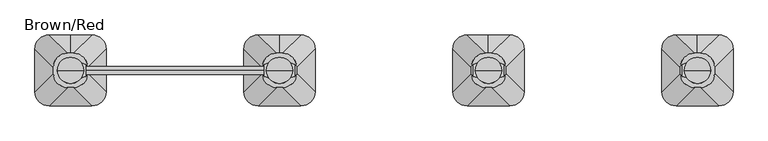
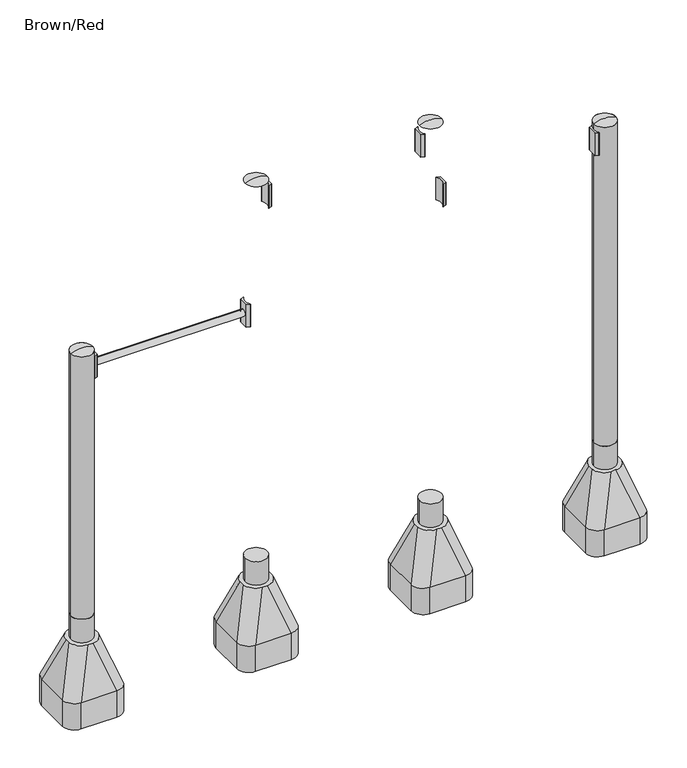
"""IFC4 building model written with IfcOpenShell, lengths in millimetres: furniture geometry, Brown/Red."""

from ifc_helpers import new_model, si_unit, point, frame, frame_2d, origin, place, context, project, spatial, polyline, circle_curve, ellipse_curve, trimmed, segment, composite_curve, outline, extrude, source, transform, mapped, element, save
from ifc_brep_helpers import plane_surface, cylinder_surface, revolved_surface, extruded_surface, advanced_brep


def brown_red_2a3a5a91(model_context):
    return source(origin(), model_context, "Body", "SolidModel", [
        extrude(outline(composite_curve([segment(trimmed(circle_curve(frame_2d((-594.0488884, 174.6300052)), 1.0), [point((-593.2087173, 175.1723266))], [point((-594.3909086, 173.6903126))], False, "CARTESIAN"), True, "CONTINUOUS"), segment(polyline([(-594.3909086, 173.6903126), (-611.0686575, 179.7605168)]), True, "CONTINUOUS"), segment(trimmed(circle_curve(frame_2d((-610.7266373, 180.7002094)), 1.0), [point((-611.0686575, 179.7605168))], [point((-611.7266373, 180.7002094))], False, "CARTESIAN"), True, "CONTINUOUS"), segment(polyline([(-611.7266373, 180.7002094), (-611.7266373, 229.2997943)]), True, "CONTINUOUS"), segment(trimmed(circle_curve(frame_2d((-610.7266373, 229.2997943)), 1.0), [point((-611.7266373, 229.2997943))], [point((-611.0686575, 230.2394869))], False, "CARTESIAN"), True, "CONTINUOUS"), segment(polyline([(-611.0686575, 230.2394869), (-594.3909086, 236.3096911)]), True, "CONTINUOUS"), segment(trimmed(circle_curve(frame_2d((-594.0488884, 235.3699985)), 1.0), [point((-594.3909086, 236.3096911))], [point((-593.2087173, 234.8276771))], False, "CARTESIAN"), True, "CONTINUOUS"), segment(trimmed(circle_curve(frame_2d((-546.999305, 205.0000019)), 55.0), [point((-593.2087173, 234.8276771))], [point((-593.2087173, 175.1723266))], True, "CARTESIAN"), True, "CONTINUOUS")], self_intersect=False)), frame((0.0, 0.0, 1149.6562438), z_axis=(0.0, 0.0, 1.0), x_axis=(1.0, 0.0, 0.0)), (0.0, 0.0, 1.0), 120.0),
        extrude(outline(composite_curve([segment(trimmed(circle_curve(frame_2d((-1379.8767602, 235.3699948)), 1.0), [point((-1380.7169313, 234.8276734))], [point((-1379.5347401, 236.3096874))], False, "CARTESIAN"), True, "CONTINUOUS"), segment(polyline([(-1379.5347401, 236.3096874), (-1362.8569912, 230.2394832)]), True, "CONTINUOUS"), segment(trimmed(circle_curve(frame_2d((-1363.1990113, 229.2997906)), 1.0), [point((-1362.8569912, 230.2394832))], [point((-1362.1990113, 229.2997906))], False, "CARTESIAN"), True, "CONTINUOUS"), segment(polyline([(-1362.1990113, 229.2997906), (-1362.1990113, 180.7002057)]), True, "CONTINUOUS"), segment(trimmed(circle_curve(frame_2d((-1363.1990113, 180.7002057)), 1.0), [point((-1362.1990113, 180.7002057))], [point((-1362.8569912, 179.7605131))], False, "CARTESIAN"), True, "CONTINUOUS"), segment(polyline([(-1362.8569912, 179.7605131), (-1379.5347401, 173.6903089)]), True, "CONTINUOUS"), segment(trimmed(circle_curve(frame_2d((-1379.8767602, 174.6300015)), 1.0), [point((-1379.5347401, 173.6903089))], [point((-1380.7169313, 175.1723229))], False, "CARTESIAN"), True, "CONTINUOUS"), segment(trimmed(circle_curve(frame_2d((-1426.9263437, 204.9999981)), 55.0), [point((-1380.7169313, 175.1723229))], [point((-1380.7169313, 234.8276734))], True, "CARTESIAN"), True, "CONTINUOUS")], self_intersect=False)), frame((0.0, 0.0, 1149.6562438), z_axis=(0.0, 0.0, 1.0), x_axis=(1.0, 0.0, 0.0)), (0.0, 0.0, 1.0), 120.0),
        advanced_brep(
        [(-1372.0, 205.0, 1300.0), (-1482.0, 205.0, 1300.0), (-1427.0, 205.0, 1312.0246565), (-1427.0, 205.0, 1300.0)],
        [
            (0, 1, circle_curve(frame((-1427.0, 205.0, 1300.0), z_axis=(0.0, 0.0, 1.0), x_axis=(-1.0, 0.0, 0.0)), 55.0)),
            (1, 2, circle_curve(frame((-1431.5450144, 205.0, 1201.0177111), z_axis=(0.0, 1.0, 0.0), x_axis=(-1.0, 0.0, 0.0)), 111.0999509)),
            (2, 0, circle_curve(frame((-1422.4549856, 205.0, 1201.0177111), z_axis=(0.0, 1.0, 0.0), x_axis=(1.0, 0.0, 0.0)), 111.0999509)),
            (1, 0, circle_curve(frame((-1427.0, 205.0, 1300.0), z_axis=(0.0, 0.0, 1.0), x_axis=(-1.0, 0.0, 0.0)), 55.0)),
            (3, 1),
            (0, 3),
        ],
        [
            revolved_surface(trimmed(ellipse_curve(frame((-1431.5450144, 205.0, 1201.0177111), z_axis=(0.0, -1.0, 0.0), x_axis=(-1.0, 0.0, 0.0)), 111.0999509, 111.0999509), [point((-1427.0, 205.0, 1312.0246565))], [point((-1482.0, 205.0, 1300.0))], True, "CARTESIAN"), (-1427.0, 205.0, 919.0), (0.0, 0.0, -1.0)),
            plane_surface(frame((-1427.0, 205.0, 1300.0), z_axis=(0.0, 0.0, -1.0), x_axis=(-1.0, 0.0, 0.0))),
        ],
        [
            (0, [[1, 2, 3]]),
            (0, [[4, -3, -2]]),
            (1, [[5, -1, 6]]),
            (1, [[-6, -4, -5]]),
        ],
    ),
        advanced_brep(
        [(-1414.5, 277.4599432, -224.0), (-1427.0, 277.4599432, -224.0), (-1439.5, 277.4599432, -224.0), (-1499.5, 217.4599432, -224.0), (-1499.5, 192.4599432, -224.0), (-1439.5, 132.4599432, -224.0), (-1414.5, 132.4599432, -224.0), (-1354.5, 192.4599432, -224.0), (-1354.5, 217.4599432, -224.0), (-1337.0, 355.0, -459.0), (-1427.0, 355.0, -459.0), (-1517.0, 355.0, -459.0), (-1577.0, 295.0, -459.0), (-1577.0, 115.0, -459.0), (-1517.0, 55.0, -459.0), (-1337.0, 55.0, -459.0), (-1277.0, 115.0, -459.0), (-1277.0, 295.0, -459.0), (-1337.0, 355.0, -599.0), (-1277.0, 295.0, -599.0), (-1277.0, 115.0, -599.0), (-1337.0, 55.0, -599.0), (-1517.0, 55.0, -599.0), (-1577.0, 115.0, -599.0), (-1577.0, 295.0, -599.0), (-1517.0, 355.0, -599.0), (-1427.0, 355.0, -599.0)],
        [
            (0, 1),
            (1, 2),
            (2, 3, circle_curve(frame((-1439.5, 217.4599432, -224.0), z_axis=(0.0, 0.0, 1.0), x_axis=(1.0, 0.0, 0.0)), 60.0)),
            (3, 4),
            (4, 5, circle_curve(frame((-1439.5, 192.4599432, -224.0), z_axis=(0.0, 0.0, 1.0), x_axis=(1.0, 0.0, 0.0)), 60.0)),
            (5, 6),
            (6, 7, circle_curve(frame((-1414.5, 192.4599432, -224.0), z_axis=(0.0, 0.0, 1.0), x_axis=(1.0, 0.0, 0.0)), 60.0)),
            (7, 8),
            (8, 0, circle_curve(frame((-1414.5, 217.4599432, -224.0), z_axis=(0.0, 0.0, 1.0), x_axis=(1.0, 0.0, 0.0)), 60.0)),
            (0, 9),
            (9, 10),
            (10, 1),
            (10, 11),
            (11, 2),
            (11, 12, circle_curve(frame((-1517.0, 295.0, -459.0), z_axis=(0.0, 0.0, 1.0), x_axis=(1.0, 0.0, 0.0)), 60.0)),
            (12, 3),
            (12, 13),
            (13, 4),
            (13, 14, circle_curve(frame((-1517.0, 115.0, -459.0), z_axis=(0.0, 0.0, 1.0), x_axis=(1.0, 0.0, 0.0)), 60.0)),
            (14, 5),
            (14, 15),
            (15, 6),
            (15, 16, circle_curve(frame((-1337.0, 115.0, -459.0), z_axis=(0.0, 0.0, 1.0), x_axis=(1.0, 0.0, 0.0)), 60.0)),
            (16, 7),
            (16, 17),
            (17, 8),
            (17, 9, circle_curve(frame((-1337.0, 295.0, -459.0), z_axis=(0.0, 0.0, 1.0), x_axis=(1.0, 0.0, 0.0)), 60.0)),
            (18, 19, circle_curve(frame((-1337.0, 295.0, -599.0), z_axis=(0.0, 0.0, -1.0), x_axis=(1.0, 0.0, 0.0)), 60.0)),
            (19, 20),
            (20, 21, circle_curve(frame((-1337.0, 115.0, -599.0), z_axis=(0.0, 0.0, -1.0), x_axis=(1.0, 0.0, 0.0)), 60.0)),
            (21, 22),
            (22, 23, circle_curve(frame((-1517.0, 115.0, -599.0), z_axis=(0.0, 0.0, -1.0), x_axis=(1.0, 0.0, 0.0)), 60.0)),
            (23, 24),
            (24, 25, circle_curve(frame((-1517.0, 295.0, -599.0), z_axis=(0.0, 0.0, -1.0), x_axis=(1.0, 0.0, 0.0)), 60.0)),
            (25, 26),
            (26, 18),
            (26, 10),
            (9, 18),
            (25, 11),
            (23, 13),
            (12, 24),
            (21, 15),
            (14, 22),
            (19, 17),
            (16, 20),
        ],
        [
            plane_surface(frame((-1427.0, 213.0154988, -224.0), z_axis=(0.0, 0.0, 1.0), x_axis=(-1.0, 0.0, 0.0))),
            plane_surface(frame((-1420.75, 277.4599432, -224.0), z_axis=(0.0, 0.9496406059136844, 0.3133412191204512), x_axis=(1.0, 0.0, 0.0))),
            plane_surface(frame((-1433.25, 277.4599432, -224.0), z_axis=(0.0, 0.9496406059136843, 0.3133412191204512), x_axis=(1.0, 0.0, 0.0))),
            extruded_surface(trimmed(circle_curve(frame((-1439.5, 217.4599432, -224.0), z_axis=(0.0, 0.0, -1.0), x_axis=(1.0, 0.0, 0.0)), 60.0), [point((-1499.5, 217.4599432, -224.0))], [point((-1439.5, 277.4599432, -224.0))], True, "CARTESIAN"), (-77.5, 77.5400568, -235.0), 259.3139225119763),
            plane_surface(frame((-1499.5, 204.9599432, -224.0), z_axis=(-0.9496887635303409, 0.0, 0.31319523052596476), x_axis=(0.0, 1.0, 0.0))),
            extruded_surface(trimmed(circle_curve(frame((-1439.5, 192.4599432, -224.0), z_axis=(0.0, 0.0, -1.0), x_axis=(1.0, 0.0, 0.0)), 60.0), [point((-1439.5, 132.4599432, -224.0))], [point((-1499.5, 192.4599432, -224.0))], True, "CARTESIAN"), (-77.5, -77.4599432, -235.0), 259.2899782107809),
            plane_surface(frame((-1427.0, 132.4599432, -224.0), z_axis=(0.0, -0.9497369035840961, 0.3130492197250991), x_axis=(-1.0, 0.0, 0.0))),
            extruded_surface(trimmed(circle_curve(frame((-1414.5, 192.4599432, -224.0), z_axis=(0.0, 0.0, -1.0), x_axis=(1.0, 0.0, 0.0)), 60.0), [point((-1354.5, 192.4599432, -224.0))], [point((-1414.5, 132.4599432, -224.0))], True, "CARTESIAN"), (77.5, -77.4599432, -235.0), 259.2899782107809),
            plane_surface(frame((-1354.5, 204.9599432, -224.0), z_axis=(0.9496887635303416, 0.0, 0.3131952305259627), x_axis=(0.0, -1.0, 0.0))),
            extruded_surface(trimmed(circle_curve(frame((-1414.5, 217.4599432, -224.0), z_axis=(0.0, 0.0, -1.0), x_axis=(1.0, 0.0, 0.0)), 60.0), [point((-1414.5, 277.4599432, -224.0))], [point((-1354.5, 217.4599432, -224.0))], True, "CARTESIAN"), (77.5, 77.5400568, -235.0), 259.3139225119763),
            plane_surface(frame((-1427.0, 355.0, -599.0), z_axis=(0.0, 0.0, -1.0), x_axis=(1.0, 0.0, 0.0))),
            plane_surface(frame((-1337.0, 355.0, -459.0), z_axis=(0.0, 1.0, 0.0), x_axis=(0.0, 0.0, -1.0))),
            plane_surface(frame((-1427.0, 355.0, -459.0), z_axis=(0.0, 1.0, 0.0), x_axis=(0.0, 0.0, -1.0))),
            plane_surface(frame((-1577.0, 295.0, -459.0), z_axis=(-1.0, 0.0, 0.0), x_axis=(0.0, 0.0, -1.0))),
            plane_surface(frame((-1517.0, 55.0, -459.0), z_axis=(0.0, -1.0, 0.0), x_axis=(0.0, 0.0, -1.0))),
            plane_surface(frame((-1277.0, 115.0, -459.0), z_axis=(1.0, 0.0, 0.0), x_axis=(0.0, 0.0, -1.0))),
            cylinder_surface(frame((-1517.0, 295.0, -599.0), z_axis=(0.0, 0.0, 1.0), x_axis=(1.0, 0.0, 0.0)), 60.0),
            cylinder_surface(frame((-1517.0, 115.0, -599.0), z_axis=(0.0, 0.0, 1.0), x_axis=(1.0, 0.0, 0.0)), 60.0),
            cylinder_surface(frame((-1337.0, 115.0, -599.0), z_axis=(0.0, 0.0, 1.0), x_axis=(1.0, 0.0, 0.0)), 60.0),
            cylinder_surface(frame((-1337.0, 295.0, -599.0), z_axis=(0.0, 0.0, 1.0), x_axis=(1.0, 0.0, 0.0)), 60.0),
        ],
        [
            (0, [[1, 2, 3, 4, 5, 6, 7, 8, 9]]),
            (1, [[-1, 10, 11, 12]]),
            (2, [[-2, -12, 13, 14]]),
            (3, [[-3, -14, 15, 16]]),
            (4, [[-4, -16, 17, 18]]),
            (5, [[-5, -18, 19, 20]]),
            (6, [[-6, -20, 21, 22]]),
            (7, [[-7, -22, 23, 24]]),
            (8, [[-8, -24, 25, 26]]),
            (9, [[-9, -26, 27, -10]]),
            (10, [[28, 29, 30, 31, 32, 33, 34, 35, 36]]),
            (11, [[-36, 37, -11, 38]]),
            (12, [[-35, 39, -13, -37]]),
            (13, [[-33, 40, -17, 41]]),
            (14, [[-31, 42, -21, 43]]),
            (15, [[-29, 44, -25, 45]]),
            (16, [[-34, -41, -15, -39]]),
            (17, [[-32, -43, -19, -40]]),
            (18, [[-30, -45, -23, -42]]),
            (19, [[-28, -38, -27, -44]]),
        ],
    ),
        extrude(outline(composite_curve([segment(trimmed(circle_curve(frame_2d((-1427.0, 205.0)), 55.0), [point((-1482.0, 205.0))], [point((-1372.0, 205.0))], False, "CARTESIAN"), True, "CONTINUOUS"), segment(trimmed(circle_curve(frame_2d((-1427.0, 205.0)), 55.0), [point((-1372.0, 205.0))], [point((-1482.0, 205.0))], False, "CARTESIAN"), True, "CONTINUOUS")], self_intersect=False)), frame((0.0, 0.0, -599.0), z_axis=(0.0, 0.0, 1.0), x_axis=(1.0, 0.0, 0.0)), (0.0, 0.0, 1.0), 500.0),
        extrude(outline(composite_curve([segment(trimmed(circle_curve(frame_2d((1165.910865, 174.6300052)), 1.0), [point((1166.7510362, 175.1723266))], [point((1165.5688449, 173.6903126))], False, "CARTESIAN"), True, "CONTINUOUS"), segment(polyline([(1165.5688449, 173.6903126), (1148.891096, 179.7605168)]), True, "CONTINUOUS"), segment(trimmed(circle_curve(frame_2d((1149.2331161, 180.7002094)), 1.0), [point((1148.891096, 179.7605168))], [point((1148.2331161, 180.7002094))], False, "CARTESIAN"), True, "CONTINUOUS"), segment(polyline([(1148.2331161, 180.7002094), (1148.2331161, 229.2997943)]), True, "CONTINUOUS"), segment(trimmed(circle_curve(frame_2d((1149.2331161, 229.2997943)), 1.0), [point((1148.2331161, 229.2997943))], [point((1148.891096, 230.2394869))], False, "CARTESIAN"), True, "CONTINUOUS"), segment(polyline([(1148.891096, 230.2394869), (1165.5688449, 236.3096911)]), True, "CONTINUOUS"), segment(trimmed(circle_curve(frame_2d((1165.910865, 235.3699985)), 1.0), [point((1165.5688449, 236.3096911))], [point((1166.7510362, 234.8276771))], False, "CARTESIAN"), True, "CONTINUOUS"), segment(trimmed(circle_curve(frame_2d((1212.9604485, 205.0000019)), 55.0), [point((1166.7510362, 234.8276771))], [point((1166.7510362, 175.1723266))], True, "CARTESIAN"), True, "CONTINUOUS")], self_intersect=False)), frame((0.0, 0.0, 1450.0), z_axis=(0.0, 0.0, 1.0), x_axis=(1.0, 0.0, 0.0)), (0.0, 0.0, 1.0), 120.0),
        extrude(outline(composite_curve([segment(trimmed(circle_curve(frame_2d((380.0829933, 235.3699948)), 1.0), [point((379.2428222, 234.8276734))], [point((380.4250134, 236.3096874))], False, "CARTESIAN"), True, "CONTINUOUS"), segment(polyline([(380.4250134, 236.3096874), (397.1027623, 230.2394832)]), True, "CONTINUOUS"), segment(trimmed(circle_curve(frame_2d((396.7607422, 229.2997906)), 1.0), [point((397.1027623, 230.2394832))], [point((397.7607422, 229.2997906))], False, "CARTESIAN"), True, "CONTINUOUS"), segment(polyline([(397.7607422, 229.2997906), (397.7607422, 180.7002057)]), True, "CONTINUOUS"), segment(trimmed(circle_curve(frame_2d((396.7607422, 180.7002057)), 1.0), [point((397.7607422, 180.7002057))], [point((397.1027623, 179.7605131))], False, "CARTESIAN"), True, "CONTINUOUS"), segment(polyline([(397.1027623, 179.7605131), (380.4250134, 173.6903089)]), True, "CONTINUOUS"), segment(trimmed(circle_curve(frame_2d((380.0829933, 174.6300015)), 1.0), [point((380.4250134, 173.6903089))], [point((379.2428222, 175.1723229))], False, "CARTESIAN"), True, "CONTINUOUS"), segment(trimmed(circle_curve(frame_2d((333.0334098, 204.9999981)), 55.0), [point((379.2428222, 175.1723229))], [point((379.2428222, 234.8276734))], True, "CARTESIAN"), True, "CONTINUOUS")], self_intersect=False)), frame((0.0, 0.0, 1450.0), z_axis=(0.0, 0.0, 1.0), x_axis=(1.0, 0.0, 0.0)), (0.0, 0.0, 1.0), 120.0),
        extrude(outline(composite_curve([segment(trimmed(circle_curve(frame_2d((285.9273401, 174.6300052)), 1.0), [point((286.7675113, 175.1723266))], [point((285.58532, 173.6903126))], False, "CARTESIAN"), True, "CONTINUOUS"), segment(polyline([(285.58532, 173.6903126), (268.9075711, 179.7605168)]), True, "CONTINUOUS"), segment(trimmed(circle_curve(frame_2d((269.2495912, 180.7002094)), 1.0), [point((268.9075711, 179.7605168))], [point((268.2495912, 180.7002094))], False, "CARTESIAN"), True, "CONTINUOUS"), segment(polyline([(268.2495912, 180.7002094), (268.2495912, 229.2997943)]), True, "CONTINUOUS"), segment(trimmed(circle_curve(frame_2d((269.2495912, 229.2997943)), 1.0), [point((268.2495912, 229.2997943))], [point((268.9075711, 230.2394869))], False, "CARTESIAN"), True, "CONTINUOUS"), segment(polyline([(268.9075711, 230.2394869), (285.58532, 236.3096911)]), True, "CONTINUOUS"), segment(trimmed(circle_curve(frame_2d((285.9273401, 235.3699985)), 1.0), [point((285.58532, 236.3096911))], [point((286.7675113, 234.8276771))], False, "CARTESIAN"), True, "CONTINUOUS"), segment(trimmed(circle_curve(frame_2d((332.9769236, 205.0000019)), 55.0), [point((286.7675113, 234.8276771))], [point((286.7675113, 175.1723266))], True, "CARTESIAN"), True, "CONTINUOUS")], self_intersect=False)), frame((0.0, 0.0, 1750.0), z_axis=(0.0, 0.0, 1.0), x_axis=(1.0, 0.0, 0.0)), (0.0, 0.0, 1.0), 120.0),
        extrude(outline(composite_curve([segment(trimmed(circle_curve(frame_2d((-499.8941457, 235.3699948)), 1.0), [point((-500.7343168, 234.8276734))], [point((-499.5521255, 236.3096874))], False, "CARTESIAN"), True, "CONTINUOUS"), segment(polyline([(-499.5521255, 236.3096874), (-482.8743766, 230.2394832)]), True, "CONTINUOUS"), segment(trimmed(circle_curve(frame_2d((-483.2163968, 229.2997906)), 1.0), [point((-482.8743766, 230.2394832))], [point((-482.2163968, 229.2997906))], False, "CARTESIAN"), True, "CONTINUOUS"), segment(polyline([(-482.2163968, 229.2997906), (-482.2163968, 180.7002057)]), True, "CONTINUOUS"), segment(trimmed(circle_curve(frame_2d((-483.2163968, 180.7002057)), 1.0), [point((-482.2163968, 180.7002057))], [point((-482.8743766, 179.7605131))], False, "CARTESIAN"), True, "CONTINUOUS"), segment(polyline([(-482.8743766, 179.7605131), (-499.5521255, 173.6903089)]), True, "CONTINUOUS"), segment(trimmed(circle_curve(frame_2d((-499.8941457, 174.6300015)), 1.0), [point((-499.5521255, 173.6903089))], [point((-500.7343168, 175.1723229))], False, "CARTESIAN"), True, "CONTINUOUS"), segment(trimmed(circle_curve(frame_2d((-546.9437292, 204.9999981)), 55.0), [point((-500.7343168, 175.1723229))], [point((-500.7343168, 234.8276734))], True, "CARTESIAN"), True, "CONTINUOUS")], self_intersect=False)), frame((0.0, 0.0, 1750.0), z_axis=(0.0, 0.0, 1.0), x_axis=(1.0, 0.0, 0.0)), (0.0, 0.0, 1.0), 120.0),
        advanced_brep(
        [(388.0, 205.0, 1900.0), (278.0, 205.0, 1900.0), (333.0, 205.0, 1912.0246565), (333.0, 205.0, 1900.0)],
        [
            (0, 1, circle_curve(frame((333.0, 205.0, 1900.0), z_axis=(0.0, 0.0, 1.0), x_axis=(-1.0, 0.0, 0.0)), 55.0)),
            (1, 2, circle_curve(frame((328.4549856, 205.0, 1801.0177111), z_axis=(0.0, 1.0, 0.0), x_axis=(-1.0, 0.0, 0.0)), 111.0999509)),
            (2, 0, circle_curve(frame((337.5450144, 205.0, 1801.0177111), z_axis=(0.0, 1.0, 0.0), x_axis=(1.0, 0.0, 0.0)), 111.0999509)),
            (1, 0, circle_curve(frame((333.0, 205.0, 1900.0), z_axis=(0.0, 0.0, 1.0), x_axis=(-1.0, 0.0, 0.0)), 55.0)),
            (3, 1),
            (0, 3),
        ],
        [
            revolved_surface(trimmed(ellipse_curve(frame((328.4549856, 205.0, 1801.0177111), z_axis=(0.0, -1.0, 0.0), x_axis=(-1.0, 0.0, 0.0)), 111.0999509, 111.0999509), [point((333.0, 205.0, 1912.0246565))], [point((278.0, 205.0, 1900.0))], True, "CARTESIAN"), (333.0, 205.0, 1519.0), (0.0, 0.0, -1.0)),
            plane_surface(frame((333.0, 205.0, 1900.0), z_axis=(0.0, 0.0, -1.0), x_axis=(-1.0, 0.0, 0.0))),
        ],
        [
            (0, [[1, 2, 3]]),
            (0, [[4, -3, -2]]),
            (1, [[5, -1, 6]]),
            (1, [[-6, -4, -5]]),
        ],
    ),
        advanced_brep(
        [(1268.0, 205.0, 1600.0), (1158.0, 205.0, 1600.0), (1213.0, 205.0, 1612.0246565), (1213.0, 205.0, 1600.0)],
        [
            (0, 1, circle_curve(frame((1213.0, 205.0, 1600.0), z_axis=(0.0, 0.0, 1.0), x_axis=(-1.0, 0.0, 0.0)), 55.0)),
            (1, 2, circle_curve(frame((1208.4549856, 205.0, 1501.0177111), z_axis=(0.0, 1.0, 0.0), x_axis=(-1.0, 0.0, 0.0)), 111.0999509)),
            (2, 0, circle_curve(frame((1217.5450144, 205.0, 1501.0177111), z_axis=(0.0, 1.0, 0.0), x_axis=(1.0, 0.0, 0.0)), 111.0999509)),
            (1, 0, circle_curve(frame((1213.0, 205.0, 1600.0), z_axis=(0.0, 0.0, 1.0), x_axis=(-1.0, 0.0, 0.0)), 55.0)),
            (3, 1),
            (0, 3),
        ],
        [
            revolved_surface(trimmed(ellipse_curve(frame((1208.4549856, 205.0, 1501.0177111), z_axis=(0.0, -1.0, 0.0), x_axis=(-1.0, 0.0, 0.0)), 111.0999509, 111.0999509), [point((1213.0, 205.0, 1612.0246565))], [point((1158.0, 205.0, 1600.0))], True, "CARTESIAN"), (1213.0, 205.0, 1219.0), (0.0, 0.0, -1.0)),
            plane_surface(frame((1213.0, 205.0, 1600.0), z_axis=(0.0, 0.0, -1.0), x_axis=(-1.0, 0.0, 0.0))),
        ],
        [
            (0, [[1, 2, 3]]),
            (0, [[4, -3, -2]]),
            (1, [[5, -1, 6]]),
            (1, [[-6, -4, -5]]),
        ],
    ),
        advanced_brep(
        [(-492.0, 205.0, 1900.0), (-602.0, 205.0, 1900.0), (-547.0, 205.0, 1912.0246565), (-547.0, 205.0, 1900.0)],
        [
            (0, 1, circle_curve(frame((-547.0, 205.0, 1900.0), z_axis=(0.0, 0.0, 1.0), x_axis=(-1.0, 0.0, 0.0)), 55.0)),
            (1, 2, circle_curve(frame((-551.5450144, 205.0, 1801.0177111), z_axis=(0.0, 1.0, 0.0), x_axis=(-1.0, 0.0, 0.0)), 111.0999509)),
            (2, 0, circle_curve(frame((-542.4549856, 205.0, 1801.0177111), z_axis=(0.0, 1.0, 0.0), x_axis=(1.0, 0.0, 0.0)), 111.0999509)),
            (1, 0, circle_curve(frame((-547.0, 205.0, 1900.0), z_axis=(0.0, 0.0, 1.0), x_axis=(-1.0, 0.0, 0.0)), 55.0)),
            (3, 1),
            (0, 3),
        ],
        [
            revolved_surface(trimmed(ellipse_curve(frame((-551.5450144, 205.0, 1801.0177111), z_axis=(0.0, -1.0, 0.0), x_axis=(-1.0, 0.0, 0.0)), 111.0999509, 111.0999509), [point((-547.0, 205.0, 1912.0246565))], [point((-602.0, 205.0, 1900.0))], True, "CARTESIAN"), (-547.0, 205.0, 1519.0), (0.0, 0.0, -1.0)),
            plane_surface(frame((-547.0, 205.0, 1900.0), z_axis=(0.0, 0.0, -1.0), x_axis=(-1.0, 0.0, 0.0))),
        ],
        [
            (0, [[1, 2, 3]]),
            (0, [[4, -3, -2]]),
            (1, [[5, -1, 6]]),
            (1, [[-6, -4, -5]]),
        ],
    ),
        advanced_brep(
        [(1225.5, 277.4599432, -225.0), (1213.0, 277.4599432, -225.0), (1200.5, 277.4599432, -225.0), (1140.5, 217.4599432, -225.0), (1140.5, 192.4599432, -225.0), (1200.5, 132.4599432, -225.0), (1225.5, 132.4599432, -225.0), (1285.5, 192.4599432, -225.0), (1285.5, 217.4599432, -225.0), (1303.0, 355.0, -460.0), (1213.0, 355.0, -460.0), (1123.0, 355.0, -460.0), (1063.0, 295.0, -460.0), (1063.0, 115.0, -460.0), (1123.0, 55.0, -460.0), (1303.0, 55.0, -460.0), (1363.0, 115.0, -460.0), (1363.0, 295.0, -460.0), (1303.0, 355.0, -600.0), (1363.0, 295.0, -600.0), (1363.0, 115.0, -600.0), (1303.0, 55.0, -600.0), (1123.0, 55.0, -600.0), (1063.0, 115.0, -600.0), (1063.0, 295.0, -600.0), (1123.0, 355.0, -600.0), (1213.0, 355.0, -600.0)],
        [
            (0, 1),
            (1, 2),
            (2, 3, circle_curve(frame((1200.5, 217.4599432, -225.0), z_axis=(0.0, 0.0, 1.0), x_axis=(1.0, 0.0, 0.0)), 60.0)),
            (3, 4),
            (4, 5, circle_curve(frame((1200.5, 192.4599432, -225.0), z_axis=(0.0, 0.0, 1.0), x_axis=(1.0, 0.0, 0.0)), 60.0)),
            (5, 6),
            (6, 7, circle_curve(frame((1225.5, 192.4599432, -225.0), z_axis=(0.0, 0.0, 1.0), x_axis=(1.0, 0.0, 0.0)), 60.0)),
            (7, 8),
            (8, 0, circle_curve(frame((1225.5, 217.4599432, -225.0), z_axis=(0.0, 0.0, 1.0), x_axis=(1.0, 0.0, 0.0)), 60.0)),
            (0, 9),
            (9, 10),
            (10, 1),
            (10, 11),
            (11, 2),
            (11, 12, circle_curve(frame((1123.0, 295.0, -460.0), z_axis=(0.0, 0.0, 1.0), x_axis=(1.0, 0.0, 0.0)), 60.0)),
            (12, 3),
            (12, 13),
            (13, 4),
            (13, 14, circle_curve(frame((1123.0, 115.0, -460.0), z_axis=(0.0, 0.0, 1.0), x_axis=(1.0, 0.0, 0.0)), 60.0)),
            (14, 5),
            (14, 15),
            (15, 6),
            (15, 16, circle_curve(frame((1303.0, 115.0, -460.0), z_axis=(0.0, 0.0, 1.0), x_axis=(1.0, 0.0, 0.0)), 60.0)),
            (16, 7),
            (16, 17),
            (17, 8),
            (17, 9, circle_curve(frame((1303.0, 295.0, -460.0), z_axis=(0.0, 0.0, 1.0), x_axis=(1.0, 0.0, 0.0)), 60.0)),
            (18, 19, circle_curve(frame((1303.0, 295.0, -600.0), z_axis=(0.0, 0.0, -1.0), x_axis=(1.0, 0.0, 0.0)), 60.0)),
            (19, 20),
            (20, 21, circle_curve(frame((1303.0, 115.0, -600.0), z_axis=(0.0, 0.0, -1.0), x_axis=(1.0, 0.0, 0.0)), 60.0)),
            (21, 22),
            (22, 23, circle_curve(frame((1123.0, 115.0, -600.0), z_axis=(0.0, 0.0, -1.0), x_axis=(1.0, 0.0, 0.0)), 60.0)),
            (23, 24),
            (24, 25, circle_curve(frame((1123.0, 295.0, -600.0), z_axis=(0.0, 0.0, -1.0), x_axis=(1.0, 0.0, 0.0)), 60.0)),
            (25, 26),
            (26, 18),
            (26, 10),
            (9, 18),
            (25, 11),
            (23, 13),
            (12, 24),
            (21, 15),
            (14, 22),
            (19, 17),
            (16, 20),
        ],
        [
            plane_surface(frame((1213.0, 213.0154988, -225.0), z_axis=(0.0, 0.0, 1.0), x_axis=(-1.0, 0.0, 0.0))),
            plane_surface(frame((1219.25, 277.4599432, -225.0), z_axis=(0.0, 0.9496406059136844, 0.3133412191204512), x_axis=(1.0, 0.0, 0.0))),
            plane_surface(frame((1206.75, 277.4599432, -225.0), z_axis=(0.0, 0.9496406059136843, 0.3133412191204512), x_axis=(1.0, 0.0, 0.0))),
            extruded_surface(trimmed(circle_curve(frame((1200.5, 217.4599432, -225.0), z_axis=(0.0, 0.0, -1.0), x_axis=(1.0, 0.0, 0.0)), 60.0), [point((1140.5, 217.4599432, -225.0))], [point((1200.5, 277.4599432, -225.0))], True, "CARTESIAN"), (-77.5, 77.5400568, -235.0), 259.3139225119763),
            plane_surface(frame((1140.5, 204.9599432, -225.0), z_axis=(-0.9496887635303409, 0.0, 0.31319523052596476), x_axis=(0.0, 1.0, 0.0))),
            extruded_surface(trimmed(circle_curve(frame((1200.5, 192.4599432, -225.0), z_axis=(0.0, 0.0, -1.0), x_axis=(1.0, 0.0, 0.0)), 60.0), [point((1200.5, 132.4599432, -225.0))], [point((1140.5, 192.4599432, -225.0))], True, "CARTESIAN"), (-77.5, -77.4599432, -235.0), 259.2899782107809),
            plane_surface(frame((1213.0, 132.4599432, -225.0), z_axis=(0.0, -0.9497369035840961, 0.3130492197250991), x_axis=(-1.0, 0.0, 0.0))),
            extruded_surface(trimmed(circle_curve(frame((1225.5, 192.4599432, -225.0), z_axis=(0.0, 0.0, -1.0), x_axis=(1.0, 0.0, 0.0)), 60.0), [point((1285.5, 192.4599432, -225.0))], [point((1225.5, 132.4599432, -225.0))], True, "CARTESIAN"), (77.5, -77.4599432, -235.0), 259.2899782107809),
            plane_surface(frame((1285.5, 204.9599432, -225.0), z_axis=(0.9496887635303416, 0.0, 0.3131952305259627), x_axis=(0.0, -1.0, 0.0))),
            extruded_surface(trimmed(circle_curve(frame((1225.5, 217.4599432, -225.0), z_axis=(0.0, 0.0, -1.0), x_axis=(1.0, 0.0, 0.0)), 60.0), [point((1225.5, 277.4599432, -225.0))], [point((1285.5, 217.4599432, -225.0))], True, "CARTESIAN"), (77.5, 77.5400568, -235.0), 259.3139225119763),
            plane_surface(frame((1213.0, 355.0, -600.0), z_axis=(0.0, 0.0, -1.0), x_axis=(1.0, 0.0, 0.0))),
            plane_surface(frame((1303.0, 355.0, -460.0), z_axis=(0.0, 1.0, 0.0), x_axis=(0.0, 0.0, -1.0))),
            plane_surface(frame((1213.0, 355.0, -460.0), z_axis=(0.0, 1.0, 0.0), x_axis=(0.0, 0.0, -1.0))),
            plane_surface(frame((1063.0, 295.0, -460.0), z_axis=(-1.0, 0.0, 0.0), x_axis=(0.0, 0.0, -1.0))),
            plane_surface(frame((1123.0, 55.0, -460.0), z_axis=(0.0, -1.0, 0.0), x_axis=(0.0, 0.0, -1.0))),
            plane_surface(frame((1363.0, 115.0, -460.0), z_axis=(1.0, 0.0, 0.0), x_axis=(0.0, 0.0, -1.0))),
            cylinder_surface(frame((1123.0, 295.0, -600.0), z_axis=(0.0, 0.0, 1.0), x_axis=(1.0, 0.0, 0.0)), 60.0),
            cylinder_surface(frame((1123.0, 115.0, -600.0), z_axis=(0.0, 0.0, 1.0), x_axis=(1.0, 0.0, 0.0)), 60.0),
            cylinder_surface(frame((1303.0, 115.0, -600.0), z_axis=(0.0, 0.0, 1.0), x_axis=(1.0, 0.0, 0.0)), 60.0),
            cylinder_surface(frame((1303.0, 295.0, -600.0), z_axis=(0.0, 0.0, 1.0), x_axis=(1.0, 0.0, 0.0)), 60.0),
        ],
        [
            (0, [[1, 2, 3, 4, 5, 6, 7, 8, 9]]),
            (1, [[-1, 10, 11, 12]]),
            (2, [[-2, -12, 13, 14]]),
            (3, [[-3, -14, 15, 16]]),
            (4, [[-4, -16, 17, 18]]),
            (5, [[-5, -18, 19, 20]]),
            (6, [[-6, -20, 21, 22]]),
            (7, [[-7, -22, 23, 24]]),
            (8, [[-8, -24, 25, 26]]),
            (9, [[-9, -26, 27, -10]]),
            (10, [[28, 29, 30, 31, 32, 33, 34, 35, 36]]),
            (11, [[-36, 37, -11, 38]]),
            (12, [[-35, 39, -13, -37]]),
            (13, [[-33, 40, -17, 41]]),
            (14, [[-31, 42, -21, 43]]),
            (15, [[-29, 44, -25, 45]]),
            (16, [[-34, -41, -15, -39]]),
            (17, [[-32, -43, -19, -40]]),
            (18, [[-30, -45, -23, -42]]),
            (19, [[-28, -38, -27, -44]]),
        ],
    ),
        extrude(outline(composite_curve([segment(trimmed(circle_curve(frame_2d((1213.0, 205.0)), 55.0), [point((1158.0, 205.0))], [point((1268.0, 205.0))], False, "CARTESIAN"), True, "CONTINUOUS"), segment(trimmed(circle_curve(frame_2d((1213.0, 205.0)), 55.0), [point((1268.0, 205.0))], [point((1158.0, 205.0))], False, "CARTESIAN"), True, "CONTINUOUS")], self_intersect=False)), frame((0.0, 0.0, -600.0), z_axis=(0.0, 0.0, 1.0), x_axis=(1.0, 0.0, 0.0)), (0.0, 0.0, 1.0), 500.0),
        advanced_brep(
        [(345.5, 277.4599432, -225.0), (333.0, 277.4599432, -225.0), (320.5, 277.4599432, -225.0), (260.5, 217.4599432, -225.0), (260.5, 192.4599432, -225.0), (320.5, 132.4599432, -225.0), (345.5, 132.4599432, -225.0), (405.5, 192.4599432, -225.0), (405.5, 217.4599432, -225.0), (423.0, 355.0, -460.0), (333.0, 355.0, -460.0), (243.0, 355.0, -460.0), (183.0, 295.0, -460.0), (183.0, 115.0, -460.0), (243.0, 55.0, -460.0), (423.0, 55.0, -460.0), (483.0, 115.0, -460.0), (483.0, 295.0, -460.0), (423.0, 355.0, -600.0), (483.0, 295.0, -600.0), (483.0, 115.0, -600.0), (423.0, 55.0, -600.0), (243.0, 55.0, -600.0), (183.0, 115.0, -600.0), (183.0, 295.0, -600.0), (243.0, 355.0, -600.0), (333.0, 355.0, -600.0)],
        [
            (0, 1),
            (1, 2),
            (2, 3, circle_curve(frame((320.5, 217.4599432, -225.0), z_axis=(0.0, 0.0, 1.0), x_axis=(1.0, 0.0, 0.0)), 60.0)),
            (3, 4),
            (4, 5, circle_curve(frame((320.5, 192.4599432, -225.0), z_axis=(0.0, 0.0, 1.0), x_axis=(1.0, 0.0, 0.0)), 60.0)),
            (5, 6),
            (6, 7, circle_curve(frame((345.5, 192.4599432, -225.0), z_axis=(0.0, 0.0, 1.0), x_axis=(1.0, 0.0, 0.0)), 60.0)),
            (7, 8),
            (8, 0, circle_curve(frame((345.5, 217.4599432, -225.0), z_axis=(0.0, 0.0, 1.0), x_axis=(1.0, 0.0, 0.0)), 60.0)),
            (0, 9),
            (9, 10),
            (10, 1),
            (10, 11),
            (11, 2),
            (11, 12, circle_curve(frame((243.0, 295.0, -460.0), z_axis=(0.0, 0.0, 1.0), x_axis=(1.0, 0.0, 0.0)), 60.0)),
            (12, 3),
            (12, 13),
            (13, 4),
            (13, 14, circle_curve(frame((243.0, 115.0, -460.0), z_axis=(0.0, 0.0, 1.0), x_axis=(1.0, 0.0, 0.0)), 60.0)),
            (14, 5),
            (14, 15),
            (15, 6),
            (15, 16, circle_curve(frame((423.0, 115.0, -460.0), z_axis=(0.0, 0.0, 1.0), x_axis=(1.0, 0.0, 0.0)), 60.0)),
            (16, 7),
            (16, 17),
            (17, 8),
            (17, 9, circle_curve(frame((423.0, 295.0, -460.0), z_axis=(0.0, 0.0, 1.0), x_axis=(1.0, 0.0, 0.0)), 60.0)),
            (18, 19, circle_curve(frame((423.0, 295.0, -600.0), z_axis=(0.0, 0.0, -1.0), x_axis=(1.0, 0.0, 0.0)), 60.0)),
            (19, 20),
            (20, 21, circle_curve(frame((423.0, 115.0, -600.0), z_axis=(0.0, 0.0, -1.0), x_axis=(1.0, 0.0, 0.0)), 60.0)),
            (21, 22),
            (22, 23, circle_curve(frame((243.0, 115.0, -600.0), z_axis=(0.0, 0.0, -1.0), x_axis=(1.0, 0.0, 0.0)), 60.0)),
            (23, 24),
            (24, 25, circle_curve(frame((243.0, 295.0, -600.0), z_axis=(0.0, 0.0, -1.0), x_axis=(1.0, 0.0, 0.0)), 60.0)),
            (25, 26),
            (26, 18),
            (26, 10),
            (9, 18),
            (25, 11),
            (23, 13),
            (12, 24),
            (21, 15),
            (14, 22),
            (19, 17),
            (16, 20),
        ],
        [
            plane_surface(frame((333.0, 213.0154988, -225.0), z_axis=(0.0, 0.0, 1.0), x_axis=(-1.0, 0.0, 0.0))),
            plane_surface(frame((339.25, 277.4599432, -225.0), z_axis=(0.0, 0.9496406059136844, 0.3133412191204512), x_axis=(1.0, 0.0, 0.0))),
            plane_surface(frame((326.75, 277.4599432, -225.0), z_axis=(0.0, 0.9496406059136843, 0.3133412191204512), x_axis=(1.0, 0.0, 0.0))),
            extruded_surface(trimmed(circle_curve(frame((320.5, 217.4599432, -225.0), z_axis=(0.0, 0.0, -1.0), x_axis=(1.0, 0.0, 0.0)), 60.0), [point((260.5, 217.4599432, -225.0))], [point((320.5, 277.4599432, -225.0))], True, "CARTESIAN"), (-77.5, 77.5400568, -235.0), 259.3139225119763),
            plane_surface(frame((260.5, 204.9599432, -225.0), z_axis=(-0.9496887635303409, 0.0, 0.31319523052596476), x_axis=(0.0, 1.0, 0.0))),
            extruded_surface(trimmed(circle_curve(frame((320.5, 192.4599432, -225.0), z_axis=(0.0, 0.0, -1.0), x_axis=(1.0, 0.0, 0.0)), 60.0), [point((320.5, 132.4599432, -225.0))], [point((260.5, 192.4599432, -225.0))], True, "CARTESIAN"), (-77.5, -77.4599432, -235.0), 259.2899782107809),
            plane_surface(frame((333.0, 132.4599432, -225.0), z_axis=(0.0, -0.9497369035840961, 0.3130492197250991), x_axis=(-1.0, 0.0, 0.0))),
            extruded_surface(trimmed(circle_curve(frame((345.5, 192.4599432, -225.0), z_axis=(0.0, 0.0, -1.0), x_axis=(1.0, 0.0, 0.0)), 60.0), [point((405.5, 192.4599432, -225.0))], [point((345.5, 132.4599432, -225.0))], True, "CARTESIAN"), (77.5, -77.4599432, -235.0), 259.2899782107809),
            plane_surface(frame((405.5, 204.9599432, -225.0), z_axis=(0.9496887635303416, 0.0, 0.3131952305259627), x_axis=(0.0, -1.0, 0.0))),
            extruded_surface(trimmed(circle_curve(frame((345.5, 217.4599432, -225.0), z_axis=(0.0, 0.0, -1.0), x_axis=(1.0, 0.0, 0.0)), 60.0), [point((345.5, 277.4599432, -225.0))], [point((405.5, 217.4599432, -225.0))], True, "CARTESIAN"), (77.5, 77.5400568, -235.0), 259.3139225119763),
            plane_surface(frame((333.0, 355.0, -600.0), z_axis=(0.0, 0.0, -1.0), x_axis=(1.0, 0.0, 0.0))),
            plane_surface(frame((423.0, 355.0, -460.0), z_axis=(0.0, 1.0, 0.0), x_axis=(0.0, 0.0, -1.0))),
            plane_surface(frame((333.0, 355.0, -460.0), z_axis=(0.0, 1.0, 0.0), x_axis=(0.0, 0.0, -1.0))),
            plane_surface(frame((183.0, 295.0, -460.0), z_axis=(-1.0, 0.0, 0.0), x_axis=(0.0, 0.0, -1.0))),
            plane_surface(frame((243.0, 55.0, -460.0), z_axis=(0.0, -1.0, 0.0), x_axis=(0.0, 0.0, -1.0))),
            plane_surface(frame((483.0, 115.0, -460.0), z_axis=(1.0, 0.0, 0.0), x_axis=(0.0, 0.0, -1.0))),
            cylinder_surface(frame((243.0, 295.0, -600.0), z_axis=(0.0, 0.0, 1.0), x_axis=(1.0, 0.0, 0.0)), 60.0),
            cylinder_surface(frame((243.0, 115.0, -600.0), z_axis=(0.0, 0.0, 1.0), x_axis=(1.0, 0.0, 0.0)), 60.0),
            cylinder_surface(frame((423.0, 115.0, -600.0), z_axis=(0.0, 0.0, 1.0), x_axis=(1.0, 0.0, 0.0)), 60.0),
            cylinder_surface(frame((423.0, 295.0, -600.0), z_axis=(0.0, 0.0, 1.0), x_axis=(1.0, 0.0, 0.0)), 60.0),
        ],
        [
            (0, [[1, 2, 3, 4, 5, 6, 7, 8, 9]]),
            (1, [[-1, 10, 11, 12]]),
            (2, [[-2, -12, 13, 14]]),
            (3, [[-3, -14, 15, 16]]),
            (4, [[-4, -16, 17, 18]]),
            (5, [[-5, -18, 19, 20]]),
            (6, [[-6, -20, 21, 22]]),
            (7, [[-7, -22, 23, 24]]),
            (8, [[-8, -24, 25, 26]]),
            (9, [[-9, -26, 27, -10]]),
            (10, [[28, 29, 30, 31, 32, 33, 34, 35, 36]]),
            (11, [[-36, 37, -11, 38]]),
            (12, [[-35, 39, -13, -37]]),
            (13, [[-33, 40, -17, 41]]),
            (14, [[-31, 42, -21, 43]]),
            (15, [[-29, 44, -25, 45]]),
            (16, [[-34, -41, -15, -39]]),
            (17, [[-32, -43, -19, -40]]),
            (18, [[-30, -45, -23, -42]]),
            (19, [[-28, -38, -27, -44]]),
        ],
    ),
        extrude(outline(composite_curve([segment(trimmed(circle_curve(frame_2d((333.0, 205.0)), 55.0), [point((278.0, 205.0))], [point((388.0, 205.0))], False, "CARTESIAN"), True, "CONTINUOUS"), segment(trimmed(circle_curve(frame_2d((333.0, 205.0)), 55.0), [point((388.0, 205.0))], [point((278.0, 205.0))], False, "CARTESIAN"), True, "CONTINUOUS")], self_intersect=False)), frame((0.0, 0.0, -600.0), z_axis=(0.0, 0.0, 1.0), x_axis=(1.0, 0.0, 0.0)), (0.0, 0.0, 1.0), 500.0),
        advanced_brep(
        [(-534.5, 277.4599432, -225.0), (-547.0, 277.4599432, -225.0), (-559.5, 277.4599432, -225.0), (-619.5, 217.4599432, -225.0), (-619.5, 192.4599432, -225.0), (-559.5, 132.4599432, -225.0), (-534.5, 132.4599432, -225.0), (-474.5, 192.4599432, -225.0), (-474.5, 217.4599432, -225.0), (-457.0, 355.0, -460.0), (-547.0, 355.0, -460.0), (-637.0, 355.0, -460.0), (-697.0, 295.0, -460.0), (-697.0, 115.0, -460.0), (-637.0, 55.0, -460.0), (-457.0, 55.0, -460.0), (-397.0, 115.0, -460.0), (-397.0, 295.0, -460.0), (-457.0, 355.0, -600.0), (-397.0, 295.0, -600.0), (-397.0, 115.0, -600.0), (-457.0, 55.0, -600.0), (-637.0, 55.0, -600.0), (-697.0, 115.0, -600.0), (-697.0, 295.0, -600.0), (-637.0, 355.0, -600.0), (-547.0, 355.0, -600.0)],
        [
            (0, 1),
            (1, 2),
            (2, 3, circle_curve(frame((-559.5, 217.4599432, -225.0), z_axis=(0.0, 0.0, 1.0), x_axis=(1.0, 0.0, 0.0)), 60.0)),
            (3, 4),
            (4, 5, circle_curve(frame((-559.5, 192.4599432, -225.0), z_axis=(0.0, 0.0, 1.0), x_axis=(1.0, 0.0, 0.0)), 60.0)),
            (5, 6),
            (6, 7, circle_curve(frame((-534.5, 192.4599432, -225.0), z_axis=(0.0, 0.0, 1.0), x_axis=(1.0, 0.0, 0.0)), 60.0)),
            (7, 8),
            (8, 0, circle_curve(frame((-534.5, 217.4599432, -225.0), z_axis=(0.0, 0.0, 1.0), x_axis=(1.0, 0.0, 0.0)), 60.0)),
            (0, 9),
            (9, 10),
            (10, 1),
            (10, 11),
            (11, 2),
            (11, 12, circle_curve(frame((-637.0, 295.0, -460.0), z_axis=(0.0, 0.0, 1.0), x_axis=(1.0, 0.0, 0.0)), 60.0)),
            (12, 3),
            (12, 13),
            (13, 4),
            (13, 14, circle_curve(frame((-637.0, 115.0, -460.0), z_axis=(0.0, 0.0, 1.0), x_axis=(1.0, 0.0, 0.0)), 60.0)),
            (14, 5),
            (14, 15),
            (15, 6),
            (15, 16, circle_curve(frame((-457.0, 115.0, -460.0), z_axis=(0.0, 0.0, 1.0), x_axis=(1.0, 0.0, 0.0)), 60.0)),
            (16, 7),
            (16, 17),
            (17, 8),
            (17, 9, circle_curve(frame((-457.0, 295.0, -460.0), z_axis=(0.0, 0.0, 1.0), x_axis=(1.0, 0.0, 0.0)), 60.0)),
            (18, 19, circle_curve(frame((-457.0, 295.0, -600.0), z_axis=(0.0, 0.0, -1.0), x_axis=(1.0, 0.0, 0.0)), 60.0)),
            (19, 20),
            (20, 21, circle_curve(frame((-457.0, 115.0, -600.0), z_axis=(0.0, 0.0, -1.0), x_axis=(1.0, 0.0, 0.0)), 60.0)),
            (21, 22),
            (22, 23, circle_curve(frame((-637.0, 115.0, -600.0), z_axis=(0.0, 0.0, -1.0), x_axis=(1.0, 0.0, 0.0)), 60.0)),
            (23, 24),
            (24, 25, circle_curve(frame((-637.0, 295.0, -600.0), z_axis=(0.0, 0.0, -1.0), x_axis=(1.0, 0.0, 0.0)), 60.0)),
            (25, 26),
            (26, 18),
            (26, 10),
            (9, 18),
            (25, 11),
            (23, 13),
            (12, 24),
            (21, 15),
            (14, 22),
            (19, 17),
            (16, 20),
        ],
        [
            plane_surface(frame((-547.0, 213.0154988, -225.0), z_axis=(0.0, 0.0, 1.0), x_axis=(-1.0, 0.0, 0.0))),
            plane_surface(frame((-540.75, 277.4599432, -225.0), z_axis=(0.0, 0.9496406059136844, 0.3133412191204512), x_axis=(1.0, 0.0, 0.0))),
            plane_surface(frame((-553.25, 277.4599432, -225.0), z_axis=(0.0, 0.9496406059136843, 0.3133412191204512), x_axis=(1.0, 0.0, 0.0))),
            extruded_surface(trimmed(circle_curve(frame((-559.5, 217.4599432, -225.0), z_axis=(0.0, 0.0, -1.0), x_axis=(1.0, 0.0, 0.0)), 60.0), [point((-619.5, 217.4599432, -225.0))], [point((-559.5, 277.4599432, -225.0))], True, "CARTESIAN"), (-77.5, 77.5400568, -235.0), 259.3139225119763),
            plane_surface(frame((-619.5, 204.9599432, -225.0), z_axis=(-0.9496887635303409, 0.0, 0.31319523052596476), x_axis=(0.0, 1.0, 0.0))),
            extruded_surface(trimmed(circle_curve(frame((-559.5, 192.4599432, -225.0), z_axis=(0.0, 0.0, -1.0), x_axis=(1.0, 0.0, 0.0)), 60.0), [point((-559.5, 132.4599432, -225.0))], [point((-619.5, 192.4599432, -225.0))], True, "CARTESIAN"), (-77.5, -77.4599432, -235.0), 259.2899782107809),
            plane_surface(frame((-547.0, 132.4599432, -225.0), z_axis=(0.0, -0.9497369035840961, 0.3130492197250991), x_axis=(-1.0, 0.0, 0.0))),
            extruded_surface(trimmed(circle_curve(frame((-534.5, 192.4599432, -225.0), z_axis=(0.0, 0.0, -1.0), x_axis=(1.0, 0.0, 0.0)), 60.0), [point((-474.5, 192.4599432, -225.0))], [point((-534.5, 132.4599432, -225.0))], True, "CARTESIAN"), (77.5, -77.4599432, -235.0), 259.2899782107809),
            plane_surface(frame((-474.5, 204.9599432, -225.0), z_axis=(0.9496887635303416, 0.0, 0.3131952305259627), x_axis=(0.0, -1.0, 0.0))),
            extruded_surface(trimmed(circle_curve(frame((-534.5, 217.4599432, -225.0), z_axis=(0.0, 0.0, -1.0), x_axis=(1.0, 0.0, 0.0)), 60.0), [point((-534.5, 277.4599432, -225.0))], [point((-474.5, 217.4599432, -225.0))], True, "CARTESIAN"), (77.5, 77.5400568, -235.0), 259.3139225119763),
            plane_surface(frame((-547.0, 355.0, -600.0), z_axis=(0.0, 0.0, -1.0), x_axis=(1.0, 0.0, 0.0))),
            plane_surface(frame((-457.0, 355.0, -460.0), z_axis=(0.0, 1.0, 0.0), x_axis=(0.0, 0.0, -1.0))),
            plane_surface(frame((-547.0, 355.0, -460.0), z_axis=(0.0, 1.0, 0.0), x_axis=(0.0, 0.0, -1.0))),
            plane_surface(frame((-697.0, 295.0, -460.0), z_axis=(-1.0, 0.0, 0.0), x_axis=(0.0, 0.0, -1.0))),
            plane_surface(frame((-637.0, 55.0, -460.0), z_axis=(0.0, -1.0, 0.0), x_axis=(0.0, 0.0, -1.0))),
            plane_surface(frame((-397.0, 115.0, -460.0), z_axis=(1.0, 0.0, 0.0), x_axis=(0.0, 0.0, -1.0))),
            cylinder_surface(frame((-637.0, 295.0, -600.0), z_axis=(0.0, 0.0, 1.0), x_axis=(1.0, 0.0, 0.0)), 60.0),
            cylinder_surface(frame((-637.0, 115.0, -600.0), z_axis=(0.0, 0.0, 1.0), x_axis=(1.0, 0.0, 0.0)), 60.0),
            cylinder_surface(frame((-457.0, 115.0, -600.0), z_axis=(0.0, 0.0, 1.0), x_axis=(1.0, 0.0, 0.0)), 60.0),
            cylinder_surface(frame((-457.0, 295.0, -600.0), z_axis=(0.0, 0.0, 1.0), x_axis=(1.0, 0.0, 0.0)), 60.0),
        ],
        [
            (0, [[1, 2, 3, 4, 5, 6, 7, 8, 9]]),
            (1, [[-1, 10, 11, 12]]),
            (2, [[-2, -12, 13, 14]]),
            (3, [[-3, -14, 15, 16]]),
            (4, [[-4, -16, 17, 18]]),
            (5, [[-5, -18, 19, 20]]),
            (6, [[-6, -20, 21, 22]]),
            (7, [[-7, -22, 23, 24]]),
            (8, [[-8, -24, 25, 26]]),
            (9, [[-9, -26, 27, -10]]),
            (10, [[28, 29, 30, 31, 32, 33, 34, 35, 36]]),
            (11, [[-36, 37, -11, 38]]),
            (12, [[-35, 39, -13, -37]]),
            (13, [[-33, 40, -17, 41]]),
            (14, [[-31, 42, -21, 43]]),
            (15, [[-29, 44, -25, 45]]),
            (16, [[-34, -41, -15, -39]]),
            (17, [[-32, -43, -19, -40]]),
            (18, [[-30, -45, -23, -42]]),
            (19, [[-28, -38, -27, -44]]),
        ],
    ),
        extrude(outline(composite_curve([segment(trimmed(circle_curve(frame_2d((-547.0, 205.0)), 55.0), [point((-602.0, 205.0))], [point((-492.0, 205.0))], False, "CARTESIAN"), True, "CONTINUOUS"), segment(trimmed(circle_curve(frame_2d((-547.0, 205.0)), 55.0), [point((-492.0, 205.0))], [point((-602.0, 205.0))], False, "CARTESIAN"), True, "CONTINUOUS")], self_intersect=False)), frame((0.0, 0.0, -600.0), z_axis=(0.0, 0.0, 1.0), x_axis=(1.0, 0.0, 0.0)), (0.0, 0.0, 1.0), 500.0),
        extrude(outline(composite_curve([segment(trimmed(circle_curve(frame_2d((205.0, 1214.6562438)), 17.0), [point((205.0, 1231.6562438))], [point((205.0, 1197.6562438))], False, "CARTESIAN"), True, "CONTINUOUS"), segment(trimmed(circle_curve(frame_2d((205.0, 1214.6562438)), 17.0), [point((205.0, 1197.6562438))], [point((205.0, 1231.6562438))], False, "CARTESIAN"), True, "CONTINUOUS")], self_intersect=False)), frame((-1362.1990113, 0.0, 0.0), z_axis=(1.0, 0.0, 0.0), x_axis=(0.0, 1.0, 0.0)), (0.0, 0.0, 1.0), 750.472374),
        extrude(outline(composite_curve([segment(trimmed(circle_curve(frame_2d((-1427.0, 205.0)), 55.0), [point((-1482.0, 205.0))], [point((-1372.0, 205.0))], False, "CARTESIAN"), True, "CONTINUOUS"), segment(trimmed(circle_curve(frame_2d((-1427.0, 205.0)), 55.0), [point((-1372.0, 205.0))], [point((-1482.0, 205.0))], False, "CARTESIAN"), True, "CONTINUOUS")], self_intersect=False)), frame((0.0, 0.0, -100.0), z_axis=(0.0, 0.0, 1.0), x_axis=(1.0, 0.0, 0.0)), (0.0, 0.0, 1.0), 1400.0),
        extrude(outline(composite_curve([segment(trimmed(circle_curve(frame_2d((1213.0, 205.0)), 55.0), [point((1158.0, 205.0))], [point((1268.0, 205.0))], False, "CARTESIAN"), True, "CONTINUOUS"), segment(trimmed(circle_curve(frame_2d((1213.0, 205.0)), 55.0), [point((1268.0, 205.0))], [point((1158.0, 205.0))], False, "CARTESIAN"), True, "CONTINUOUS")], self_intersect=False)), frame((0.0, 0.0, -100.0), z_axis=(0.0, 0.0, 1.0), x_axis=(1.0, 0.0, 0.0)), (0.0, 0.0, 1.0), 1700.0),
    ])


if __name__ == "__main__":
    model = new_model("IFC4")
    model_context = context("Model", 3, world=origin())
    ifc_project = project(units=[si_unit("LENGTHUNIT", "METRE", prefix="MILLI")], contexts=[model_context])
    site = spatial("IfcSite", under=ifc_project)
    building = spatial("IfcBuilding", under=site)
    placement = place(None, origin())
    brown_red_shape = brown_red_2a3a5a91(model_context)
    element("IfcFurniture", 1, ObjectType="Brown/Red", at=placement, inside=building, context=model_context, shape_type="MappedRepresentation", body=[
        mapped(brown_red_shape, transform((0.0, 0.0, 0.0), x_axis=(1.0, 0.0, 0.0), y_axis=(0.0, 1.0, 0.0), z_axis=(0.0, 0.0, 1.0))),
    ])
    save(model, "model.ifc")
